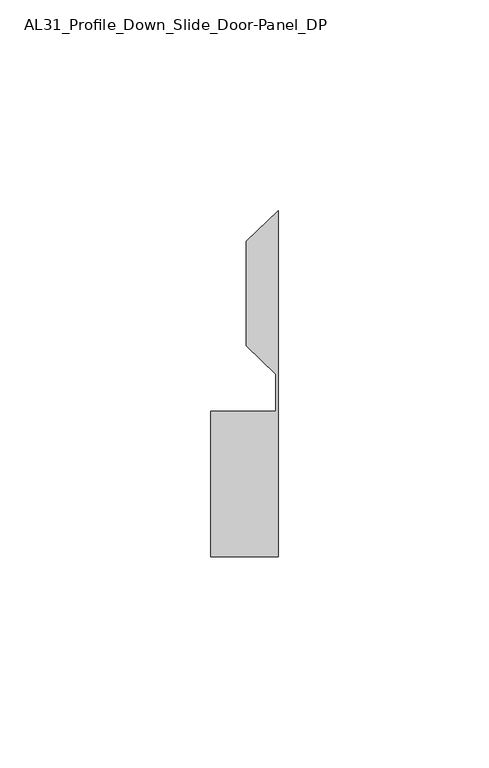
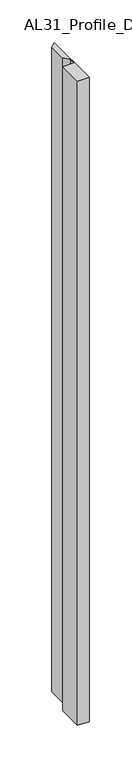
"""IFC4 building model written with IfcOpenShell, lengths in millimetres: member geometry, AL31_Profile_Down_Slide_Door-Panel_DP."""

from ifc_helpers import new_model, si_unit, frame, origin, place, context, project, spatial, polyline, outline, extrude, source, transform, mapped, element, save


def al31_profile_down_slide_door_panel_dp_fc1f8217(model_context):
    return source(origin(), model_context, "Body", "SweptSolid", [
        extrude(outline(polyline([(0.0, -37.107), (-16.0427074, -37.107), (-16.0427074, -2.607), (-0.5072866, -2.607), (-0.5072866, 6.2574907), (-7.6107048, 13.0546075), (-7.6107048, 37.8269611), (0.0, 45.1094902), (0.0, -37.107)])), frame((0.0, 0.0, -925.0), z_axis=(0.0, 0.0, 1.0), x_axis=(1.0, 0.0, 0.0)), (0.0, 0.0, 1.0), 925.0),
    ])


if __name__ == "__main__":
    model = new_model("IFC4")
    model_context = context("Model", 3, world=origin())
    ifc_project = project(units=[si_unit("LENGTHUNIT", "METRE", prefix="MILLI")], contexts=[model_context])
    site = spatial("IfcSite", under=ifc_project)
    building = spatial("IfcBuilding", under=site)
    placement = place(None, origin())
    al31_profile_down_slide_door_panel_dp_shape = al31_profile_down_slide_door_panel_dp_fc1f8217(model_context)
    element("IfcMember", 1, ObjectType="AL31_Profile_Down_Slide_Door-Panel_DP", at=placement, inside=building, context=model_context, shape_type="MappedRepresentation", body=[
        mapped(al31_profile_down_slide_door_panel_dp_shape, transform((0.0, 0.0, 0.0), x_axis=(1.0, 0.0, 0.0), y_axis=(0.0, 1.0, 0.0), z_axis=(0.0, 0.0, 1.0))),
    ])
    save(model, "model.ifc")
